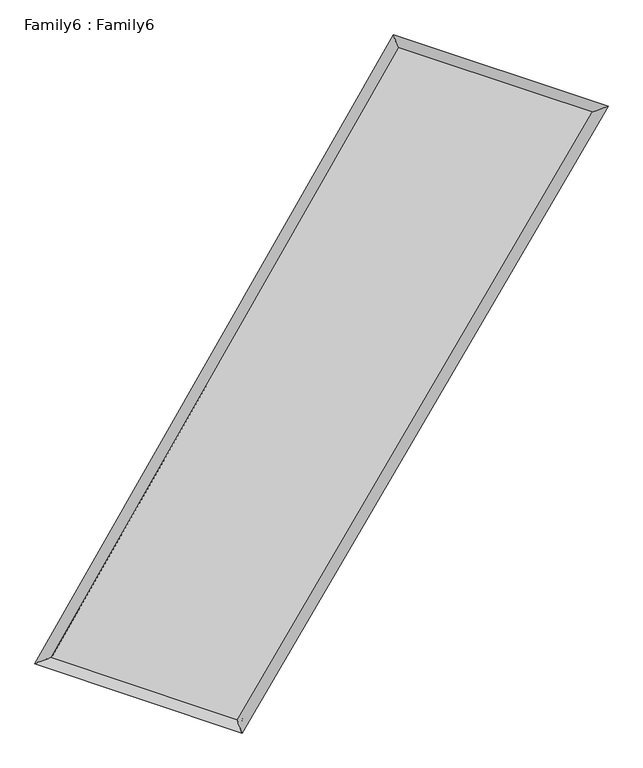
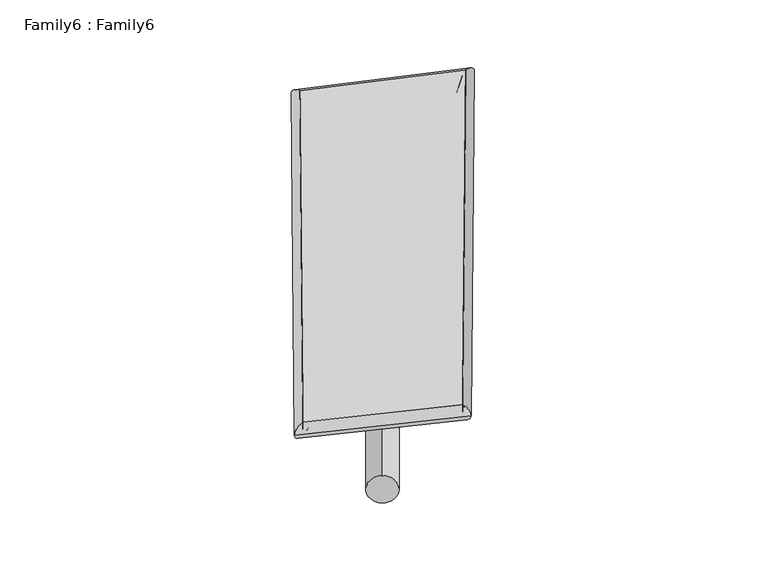
"""IFC4 building model written with IfcOpenShell, lengths in millimetres: plate geometry, Family6 : Family6."""

from ifc_helpers import new_model, si_unit, point, frame, origin, origin_2d, place, context, project, spatial, circle_curve, ellipse_curve, trimmed, segment, composite_curve, outline, extrude, source, transform, mapped, element, save
from ifc_brep_helpers import plane_surface, cylinder_surface, spline_surface, advanced_brep


def family6_family6_ef25d7e7(model_context):
    return source(origin(), model_context, "Body", "SolidModel", [
        extrude(outline(composite_curve([segment(trimmed(circle_curve(origin_2d(), 76.2), [point((-75.4341514, -10.7763074))], [point((75.4341514, 10.7763074))], False, "CARTESIAN"), True, "CONTINUOUS"), segment(trimmed(circle_curve(origin_2d(), 76.2), [point((75.4341514, 10.7763074))], [point((-75.4341514, -10.7763074))], False, "CARTESIAN"), True, "CONTINUOUS")], self_intersect=False)), frame((9144.0, 9144.0, 0.0), z_axis=(0.6854332624916039, 0.6824428682517267, 0.25387590323319914), x_axis=(-0.6732035216593923, 0.7268109356843999, -0.13617225192732674)), (0.0, 0.0, 1.0), 6038.6156207),
        extrude(outline(composite_curve([segment(trimmed(circle_curve(origin_2d(), 76.2), [point((-53.8815367, 53.8815367))], [point((53.8815367, -53.8815367))], False, "CARTESIAN"), True, "CONTINUOUS"), segment(trimmed(circle_curve(origin_2d(), 76.2), [point((53.8815367, -53.8815367))], [point((-53.8815367, 53.8815367))], False, "CARTESIAN"), True, "CONTINUOUS")], self_intersect=False)), frame((9144.0, 9144.0, 0.0), z_axis=(-0.6793846996450159, -0.6879726514477382, 0.2552059183252229), x_axis=(0.6306250656968099, -0.3696048835753863, 0.6824252754346951)), (0.0, 0.0, 1.0), 6007.7363006),
        extrude(outline(composite_curve([segment(trimmed(circle_curve(origin_2d(), 76.2), [point((-53.8815367, -53.8815368))], [point((53.8815367, 53.8815368))], False, "CARTESIAN"), True, "CONTINUOUS"), segment(trimmed(circle_curve(origin_2d(), 76.2), [point((53.8815367, 53.8815368))], [point((-53.8815367, -53.8815368))], False, "CARTESIAN"), True, "CONTINUOUS")], self_intersect=False)), frame((9144.0, 9144.0, 0.0), z_axis=(0.21775730149034278, 0.9356415020933027, 0.2777710157814032), x_axis=(-0.8501620744459957, 0.3216233541914992, -0.41687272063819536)), (0.0, 0.0, 1.0), 5450.5055207),
        extrude(outline(composite_curve([segment(trimmed(circle_curve(origin_2d(), 76.2), [point((-75.4341514, 10.7763073))], [point((75.4341514, -10.7763073))], False, "CARTESIAN"), True, "CONTINUOUS"), segment(trimmed(circle_curve(origin_2d(), 76.2), [point((75.4341514, -10.7763073))], [point((-75.4341514, 10.7763073))], False, "CARTESIAN"), True, "CONTINUOUS")], self_intersect=False)), frame((9144.0, 9144.0, 0.0), z_axis=(-0.22797877455906346, -0.9332145460983876, 0.2777342062132937), x_axis=(0.8910479092182807, -0.08497813801940927, 0.44588377357388204)), (0.0, 0.0, 1.0), 5449.7610086),
        advanced_brep(
        [(4838.1953354, 4925.3510868, 1532.1206257), (4838.1866639, 4925.3365249, 1534.9353542), (5286.6764204, 5096.3323694, 1534.2990936), (10401.3927232, 14059.7913331, 1515.6424593), (10260.3820247, 14427.647012, 1512.3424507), (5286.6850918, 5096.3469312, 1531.4843651), (13056.5849848, 13179.5401193, 1532.7909118), (13509.5510268, 13350.4802096, 1533.3270781), (7832.5435368, 4242.1142014, 1513.8867498), (7970.5967904, 3874.2933066, 1513.2833458)],
        [
            (0, 1, ellipse_curve(frame((5062.4358779, 5010.8417281, 1533.2098597), z_axis=(-0.35624764897488426, 0.9343841026386177, 0.003736487132676591), x_axis=(-0.9343697407478857, -0.3562638128171645, 0.00541140016123545)), 240.0043678, 152.4)),
            (1, 2, ellipse_curve(frame((5062.4358779, 5010.8417281, 1533.2098597), z_axis=(-0.35624764897488426, 0.9343841026386177, 0.003736487132676591), x_axis=(-0.9343697407478857, -0.3562638128171645, 0.00541140016123545)), 240.0043678, 152.4)),
            (2, 3),
            (3, 4, ellipse_curve(frame((10330.8873739, 14243.7191725, 1513.992455), z_axis=(-0.9337346452712264, -0.35795503707994986, -0.002793501263487543), x_axis=(0.3579330707170389, -0.9337262319350838, 0.006264238451833033)), 196.9855147, 152.4)),
            (4, 0),
            (2, 5, ellipse_curve(frame((5062.4358779, 5010.8417281, 1533.2098597), z_axis=(-0.35624764897488426, 0.9343841026386177, 0.003736487132676591), x_axis=(-0.9343697407478857, -0.3562638128171645, 0.00541140016123545)), 240.0043678, 152.4)),
            (5, 0, ellipse_curve(frame((5062.4358779, 5010.8417281, 1533.2098597), z_axis=(-0.35624764897488426, 0.9343841026386177, 0.003736487132676591), x_axis=(-0.9343697407478857, -0.3562638128171645, 0.00541140016123545)), 240.0043678, 152.4)),
            (4, 3, ellipse_curve(frame((10330.8873739, 14243.7191725, 1513.992455), z_axis=(-0.9337346452712264, -0.35795503707994986, -0.002793501263487543), x_axis=(0.3579330707170389, -0.9337262319350838, 0.006264238451833033)), 196.9855147, 152.4)),
            (3, 6),
            (6, 7, ellipse_curve(frame((13283.0680058, 13265.0101644, 1533.058995), z_axis=(-0.35306883900214564, 0.9355911015690267, -0.0034184193031072513), x_axis=(-0.9355781241072105, -0.3530826495252061, -0.005120185181559859)), 242.0768401, 152.4)),
            (7, 4),
            (7, 6, ellipse_curve(frame((13283.0680058, 13265.0101644, 1533.058995), z_axis=(-0.35306883900214564, 0.9355911015690267, -0.0034184193031072513), x_axis=(-0.9355781241072105, -0.3530826495252061, -0.005120185181559859)), 242.0768401, 152.4)),
            (6, 8),
            (8, 9, ellipse_curve(frame((7901.5701636, 4058.203754, 1513.5850478), z_axis=(0.9362223816190771, 0.3513948936012257, -0.0030464580230746556), x_axis=(-0.3513698393692466, 0.9362131953255447, 0.006639945780158149)), 196.439517, 152.4)),
            (9, 7),
            (9, 8, ellipse_curve(frame((7901.5701636, 4058.203754, 1513.5850478), z_axis=(0.9362223816190771, 0.3513948936012257, -0.0030464580230746556), x_axis=(-0.3513698393692466, 0.9362131953255447, 0.006639945780158149)), 196.439517, 152.4)),
            (8, 5),
            (1, 9),
        ],
        [
            cylinder_surface(frame((5062.4358779, 5010.8417281, 1533.2098597), z_axis=(-0.49560769962074375, -0.8685446102214033, 0.0018077975510570488), x_axis=(-0.8685164673657222, 0.4955721873300694, -0.009346285864294744)), 152.4),
            cylinder_surface(frame((10330.8873739, 14243.7191725, 1513.992455), z_axis=(-0.9491803614481525, 0.31467294379912863, -0.006130243220720852), x_axis=(0.31470733873019535, 0.9491709945821186, -0.0058063752333066794)), 152.4),
            cylinder_surface(frame((13283.0680058, 13265.0101644, 1533.058995), z_axis=(0.5046298538818456, 0.8633338728106583, 0.0018260966396583562), x_axis=(0.8633356624142211, -0.5046298538818456, -0.0004945452309386473)), 152.4),
            cylinder_surface(frame((7901.5701636, 4058.203754, 1513.5850478), z_axis=(0.9480339799433906, -0.3181016039104059, -0.006553049848931112), x_axis=(-0.31808583782194677, -0.9480559997679838, 0.0033497882080922702)), 152.4),
        ],
        [
            (0, [[1, 2, 3, 4, 5]]),
            (0, [[6, 7, -5, 8, -3]]),
            (1, [[-4, 9, 10, 11]]),
            (1, [[-8, -11, 12, -9]]),
            (2, [[-10, 13, 14, 15]]),
            (2, [[-12, -15, 16, -13]]),
            (3, [[-14, 17, -6, -2, 18]]),
            (3, [[-16, -18, -1, -7, -17]]),
        ],
    ),
        extrude(outline(composite_curve([segment(trimmed(circle_curve(origin_2d(), 304.8), [point((0.0, 304.8))], [point((-1e-07, -304.8))], False, "CARTESIAN"), True, "CONTINUOUS"), segment(trimmed(circle_curve(origin_2d(), 304.8), [point((-1e-07, -304.8))], [point((0.0, 304.8))], False, "CARTESIAN"), True, "CONTINUOUS")], self_intersect=False)), frame((11821.1463154, 13767.3337915, -0.0054176), z_axis=(-0.5011034735596983, -0.8653873749861253, 1.0140638538690565e-06), x_axis=(-0.8653873749866765, 0.5011034735596983, -2.724103992549527e-07)), (0.0, 0.0, 1.0), 10685.0040229),
        advanced_brep(
        [(5062.4358779, 5010.8417281, 1533.2098597), (7901.5701636, 4058.203754, 1513.5850478), (7901.5660083, 4058.2038646, 1665.9850477), (5062.4317225, 5010.8418386, 1685.6098596), (13283.0680058, 13265.0101644, 1533.058995), (13283.0638505, 13265.010275, 1685.4589949), (10330.8873739, 14243.7191725, 1513.992455), (10330.8832186, 14243.7192831, 1666.3924549)],
        [
            (0, 1),
            (1, 2),
            (2, 3),
            (3, 0),
            (1, 4),
            (4, 5),
            (5, 2),
            (4, 6),
            (6, 7),
            (7, 5),
            (6, 0),
            (3, 7),
        ],
        [
            plane_surface(frame((6482.0030207, 4534.522741, 1523.3974537), z_axis=(-0.3181084837662998, -0.9480543193784499, -7.985632869430756e-06), x_axis=(0.9480339799433907, -0.3181016039104052, -0.00655304984893112))),
            plane_surface(frame((10592.3190847, 8661.6069592, 1523.3220214), z_axis=(0.8633352899873328, -0.5046307328046947, 2.390574991647165e-05), x_axis=(0.5046298538818451, 0.8633338728106585, 0.0018260966396583518))),
            plane_surface(frame((11806.9776899, 13754.3646685, 1523.525725), z_axis=(0.3146788107231987, 0.9491982121872973, 7.89128980609394e-06), x_axis=(-0.9491803614481527, 0.3146729437991283, -0.0061302432207208536))),
            plane_surface(frame((7696.6616259, 9627.2804503, 1523.6011573), z_axis=(-0.8685460507731462, 0.49560847158658283, -2.4041279682943616e-05), x_axis=(-0.4956076996207436, -0.8685446102214033, 0.0018077975510570514))),
            spline_surface(1, 1, [[(7901.5660083, 4058.2038646, 1665.9850477), (5062.4317225, 5010.8418386, 1685.6098596)], [(13283.0638505, 13265.010275, 1685.4589949), (10330.8832186, 14243.7192831, 1666.3924549)]], [2, 2], [2, 2], [0.0, 1.0], [0.0, 1.0]),
            spline_surface(1, 1, [[(10330.8873739, 14243.7191725, 1513.992455), (5062.4358779, 5010.8417281, 1533.2098597)], [(13283.0680058, 13265.0101644, 1533.058995), (7901.5701636, 4058.203754, 1513.5850478)]], [2, 2], [2, 2], [0.0, 1.0], [0.0, 1.0]),
        ],
        [
            (0, [[1, 2, 3, 4]]),
            (1, [[5, 6, 7, -2]]),
            (2, [[8, 9, 10, -6]]),
            (3, [[11, -4, 12, -9]]),
            (4, [[-3, -7, -10, -12]]),
            (5, [[-11, -8, -5, -1]]),
        ],
    ),
    ])


if __name__ == "__main__":
    model = new_model("IFC4")
    model_context = context("Model", 3, world=origin())
    ifc_project = project(units=[si_unit("LENGTHUNIT", "METRE", prefix="MILLI")], contexts=[model_context])
    site = spatial("IfcSite", under=ifc_project)
    building = spatial("IfcBuilding", under=site)
    placement = place(None, origin())
    family6_family6_shape = family6_family6_ef25d7e7(model_context)
    element("IfcPlate", 1, ObjectType="Family6 : Family6", at=placement, inside=building, context=model_context, shape_type="MappedRepresentation", body=[
        mapped(family6_family6_shape, transform((0.0, 0.0, 0.0), x_axis=(1.0, 0.0, 0.0), y_axis=(0.0, 1.0, 0.0), z_axis=(0.0, 0.0, 1.0))),
    ])
    save(model, "model.ifc")
